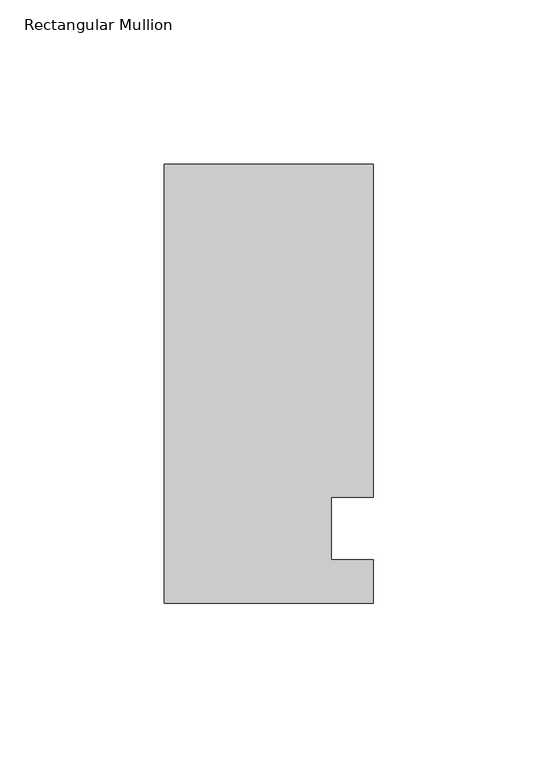
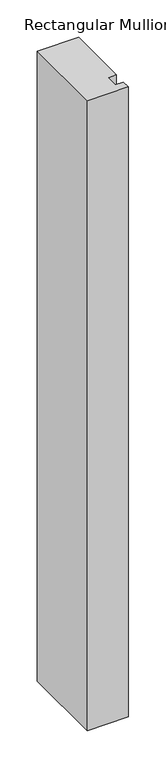
"""IFC4 building model written with IfcOpenShell, lengths in millimetres: member geometry, Rectangular Mullion."""

from ifc_helpers import new_model, si_unit, frame, origin, place, context, project, spatial, polyline, outline, extrude, source, transform, mapped, element, save


def rectangular_mullion_64fe5d25(model_context):
    return source(origin(), model_context, "Body", "SweptSolid", [
        extrude(outline(polyline([(-63.5, 0.0134938), (-63.5, 133.4396938), (0.0, 133.4396938), (0.0, 32.2460937), (-12.7, 32.2460938), (-12.7, 13.1960937), (0.0, 13.1960937), (0.0, 0.0134937), (-63.5, 0.0134938)])), frame((0.0, 0.0, -1028.7), z_axis=(0.0, 0.0, 1.0), x_axis=(1.0, 0.0, 0.0)), (0.0, 0.0, 1.0), 1028.7),
    ])


if __name__ == "__main__":
    model = new_model("IFC4")
    model_context = context("Model", 3, world=origin())
    ifc_project = project(units=[si_unit("LENGTHUNIT", "METRE", prefix="MILLI")], contexts=[model_context])
    site = spatial("IfcSite", under=ifc_project)
    building = spatial("IfcBuilding", under=site)
    placement = place(None, origin())
    rectangular_mullion_shape = rectangular_mullion_64fe5d25(model_context)
    element("IfcMember", 1, ObjectType="Rectangular Mullion", at=placement, inside=building, context=model_context, shape_type="MappedRepresentation", body=[
        mapped(rectangular_mullion_shape, transform((0.0, 0.0, 0.0), x_axis=(1.0, 0.0, 0.0), y_axis=(0.0, 1.0, 0.0), z_axis=(0.0, 0.0, 1.0))),
    ])
    save(model, "model.ifc")
